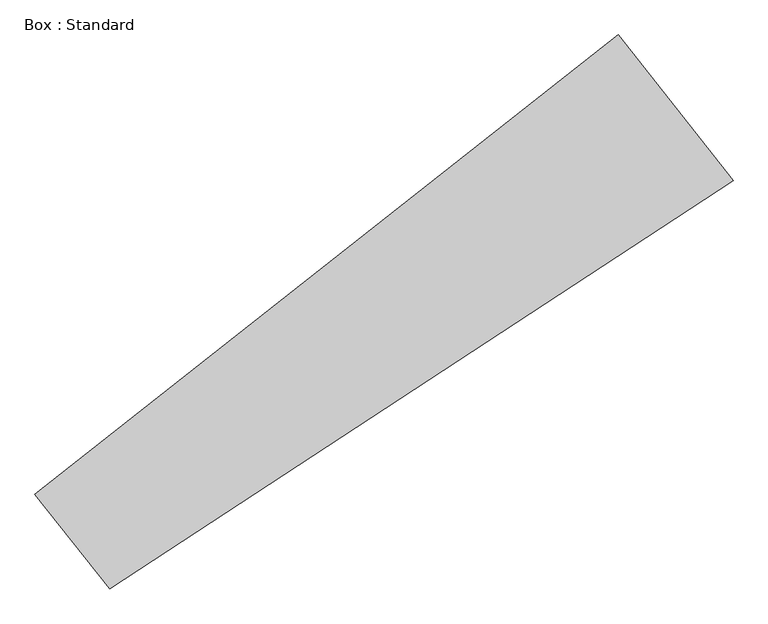
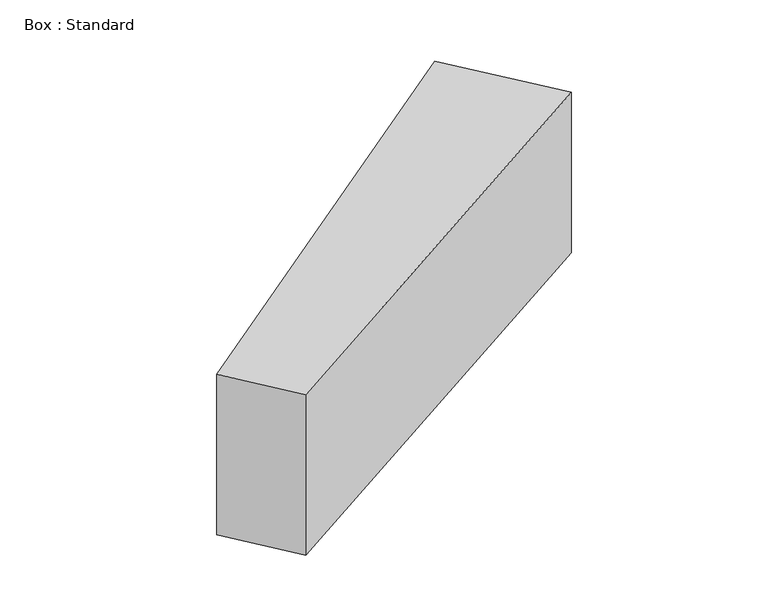
"""IFC4 building model written with IfcOpenShell, lengths in millimetres: plate geometry, Box : Standard."""

from ifc_helpers import new_model, si_unit, frame, origin, place, context, project, spatial, polyline, outline, extrude, source, transform, mapped, element, save


def box_standard_9147547d(model_context):
    return source(origin(), model_context, "Body", "SweptSolid", [
        extrude(outline(polyline([(3269.8073643, 3269.8073643), (2902.3683406, 3735.9613495), (5774.8847914, 6000.1801993), (6340.9395037, 5282.0510869), (3269.8073643, 3269.8073643)])), frame((0.0, 0.0, -1219.2), z_axis=(0.0, 0.0, 1.0), x_axis=(1.0, 0.0, 0.0)), (0.0, 0.0, 1.0), 1219.2),
    ])


if __name__ == "__main__":
    model = new_model("IFC4")
    model_context = context("Model", 3, world=origin())
    ifc_project = project(units=[si_unit("LENGTHUNIT", "METRE", prefix="MILLI")], contexts=[model_context])
    site = spatial("IfcSite", under=ifc_project)
    building = spatial("IfcBuilding", under=site)
    placement = place(None, origin())
    box_standard_shape = box_standard_9147547d(model_context)
    element("IfcPlate", 1, ObjectType="Box : Standard", at=placement, inside=building, context=model_context, shape_type="MappedRepresentation", body=[
        mapped(box_standard_shape, transform((0.0, 0.0, 0.0), x_axis=(1.0, 0.0, 0.0), y_axis=(0.0, 1.0, 0.0), z_axis=(0.0, 0.0, 1.0))),
    ])
    save(model, "model.ifc")
